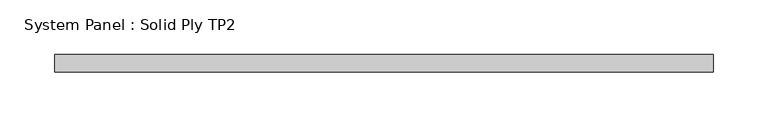
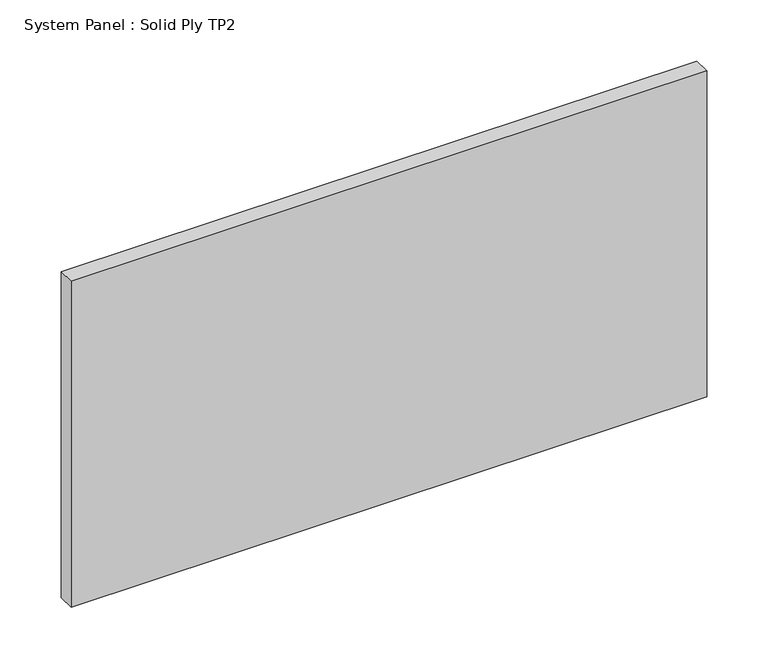
"""IFC4 building model written with IfcOpenShell, lengths in millimetres: plate geometry, System Panel : Solid Ply TP2."""

from ifc_helpers import new_model, si_unit, origin, origin_with_axes, place, context, project, spatial, polyline, outline, extrude, source, transform, mapped, element, save


def system_panel_solid_ply_tp2_1ad64d15(model_context):
    return source(origin(), model_context, "Body", "SweptSolid", [
        extrude(outline(polyline([(299.75, -23.0), (-299.75, -23.0), (-299.75, -7.0), (299.75, -7.0), (299.75, -23.0)])), origin_with_axes(), (0.0, 0.0, 1.0), 325.0),
    ])


if __name__ == "__main__":
    model = new_model("IFC4")
    model_context = context("Model", 3, world=origin())
    ifc_project = project(units=[si_unit("LENGTHUNIT", "METRE", prefix="MILLI")], contexts=[model_context])
    site = spatial("IfcSite", under=ifc_project)
    building = spatial("IfcBuilding", under=site)
    placement = place(None, origin())
    system_panel_solid_ply_tp2_shape = system_panel_solid_ply_tp2_1ad64d15(model_context)
    element("IfcPlate", 1, ObjectType="System Panel : Solid Ply TP2", at=placement, inside=building, context=model_context, shape_type="MappedRepresentation", body=[
        mapped(system_panel_solid_ply_tp2_shape, transform((0.0, 0.0, 0.0), x_axis=(1.0, 0.0, 0.0), y_axis=(0.0, 1.0, 0.0), z_axis=(0.0, 0.0, 1.0))),
    ])
    save(model, "model.ifc")
